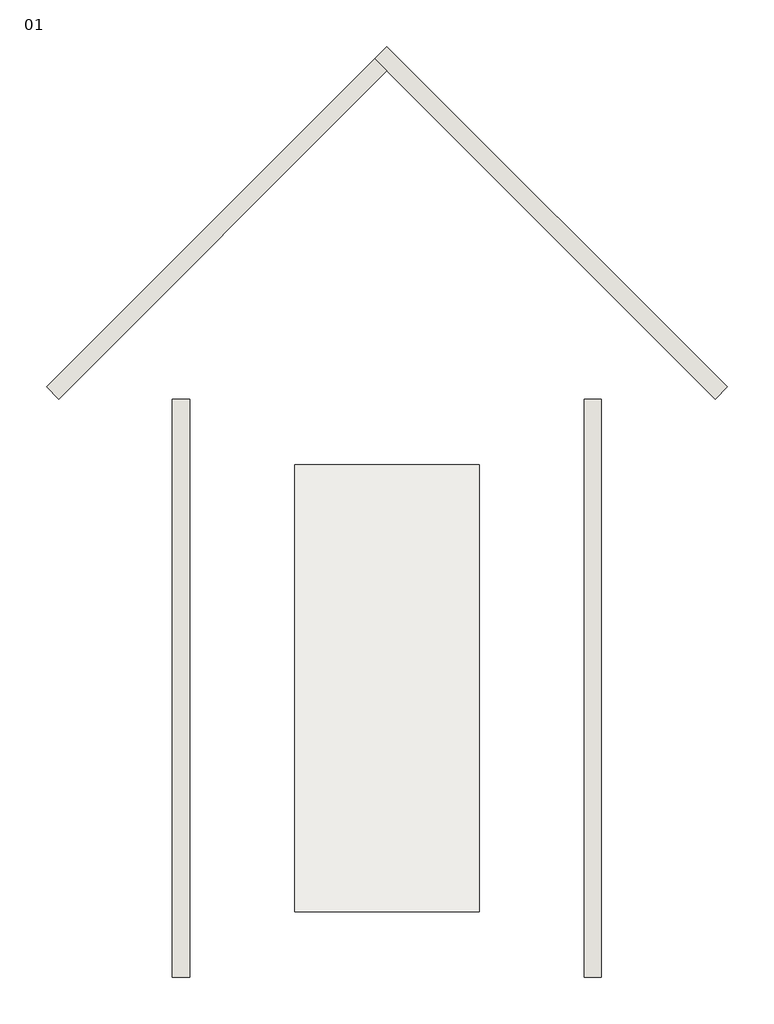
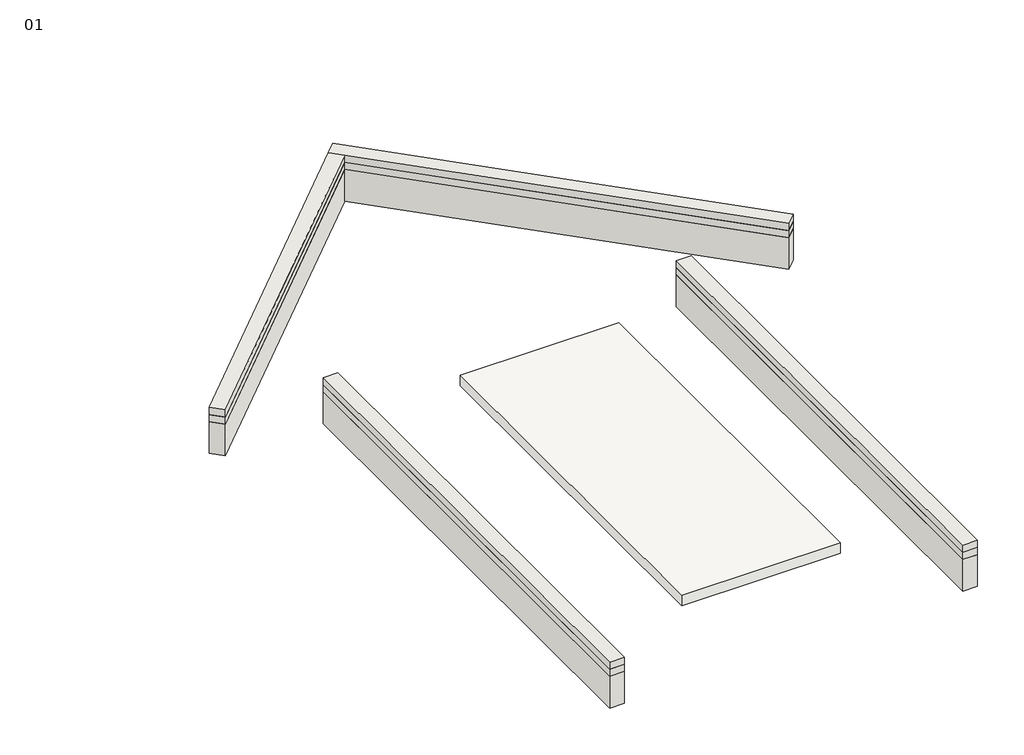
# One storey: 12 walls, 1 slab.
"""IFC4 building model written with IfcOpenShell, lengths in millimetres."""

from ifc_helpers import new_model, si_unit, frame, origin, origin_with_axes, place, context, project, spatial, polyline, outline, extrude, faceted_brep, element, save

model = new_model("IFC4")

# Units and contexts
model_context = context("Model", 3, world=origin())
ifc_project = project(units=[si_unit("LENGTHUNIT", "METRE", prefix="MILLI")], contexts=[model_context])

# Site, building, storey
site = spatial("IfcSite", under=ifc_project)
building = spatial("IfcBuilding", under=site)
storey = spatial("IfcBuildingStorey", under=building, Name="01", Elevation=-900.0)

# Slab
placement = place(None, origin())
element("IfcSlab", 1, ObjectType="Generic - 300mm", at=placement, inside=storey, context=model_context, shape_type="SweptSolid", body=[
    extrude(outline(polyline([(852.5245595, 7789.6860014), (5062.5245595, 7789.6860014), (5062.5245595, -2390.3139986), (852.5245595, -2390.3139986), (852.5245595, 7789.6860014)])), frame((0.0, 0.0, -100.0), z_axis=(0.0, 0.0, 1.0), x_axis=(1.0, 0.0, 0.0)), (0.0, 0.0, 1.0), 300.0),
])

# Walls
element("IfcWall", 2, ObjectType="Foundation - 390mm Concrete", at=placement, inside=storey, context=model_context, shape_type="SweptSolid", body=[
    extrude(outline(polyline([(-1539.4754405, 9289.6860014), (-1539.4754405, -3890.3139986), (-1929.4754405, -3890.3139986), (-1929.4754405, 9289.6860014), (-1539.4754405, 9289.6860014)])), frame((0.0, 0.0, -1092.1076302), z_axis=(0.0, 0.0, 1.0), x_axis=(1.0, 0.0, 0.0)), (0.0, 0.0, 1.0), 892.1076302),
])
element("IfcWall", 3, ObjectType="Foundation - 390mm Concrete", at=placement, inside=storey, context=model_context, shape_type="SweptSolid", body=[
    extrude(outline(polyline([(7844.5245595, 9289.6860014), (7844.5245595, -3890.3139986), (7454.5245595, -3890.3139986), (7454.5245595, 9289.6860014), (7844.5245595, 9289.6860014)])), frame((0.0, 0.0, -1092.1076302), z_axis=(0.0, 0.0, 1.0), x_axis=(1.0, 0.0, 0.0)), (0.0, 0.0, 1.0), 892.1076302),
])
element("IfcWall", 4, ObjectType="Foundation - 390mm Concrete", at=placement, inside=storey, context=model_context, shape_type="Brep", body=[
    faceted_brep([(10714.4859491, 9565.4576461, -1092.1076302), (2957.5245595, 17322.4190357, -1092.1076302), (2957.5245595, 17322.4190357, -200.0), (10714.4859491, 9565.4576461, -200.0), (10438.7143044, 9289.6860014, -1092.1076302), (10438.7143044, 9289.6860014, -200.0), (2957.5245595, 16770.8757463, -200.0), (2681.7529148, 17046.647391, -200.0), (2681.7529148, 17046.647391, -1092.1076302), (2957.5245595, 16770.8757463, -1092.1076302)], [[[0, 1, 2, 3]], [[4, 5, 6, 7, 8, 9]], [[1, 0, 4, 9, 8]], [[3, 2, 7, 6, 5]], [[0, 3, 5, 4]], [[2, 1, 8, 7]]]),
])
element("IfcWall", 5, ObjectType="Foundation - 390mm Concrete", at=placement, inside=storey, context=model_context, shape_type="SweptSolid", body=[
    extrude(outline(polyline([(2957.5245595, 16770.8757463), (-4523.6651855, 9289.6860014), (-4799.4368302, 9565.4576461), (2681.7529148, 17046.647391), (2957.5245595, 16770.8757463)])), frame((0.0, 0.0, -1092.1076302), z_axis=(0.0, 0.0, 1.0), x_axis=(1.0, 0.0, 0.0)), (0.0, 0.0, 1.0), 892.1076302),
])
element("IfcWall", 6, ObjectType="Foundation - 390mm LW Thermo Block", at=placement, inside=storey, context=model_context, shape_type="SweptSolid", body=[
    extrude(outline(polyline([(-1539.4754405, 9289.6860014), (-1539.4754405, -3890.3139986), (-1929.4754405, -3890.3139986), (-1929.4754405, 9289.6860014), (-1539.4754405, 9289.6860014)])), origin_with_axes(), (0.0, 0.0, 1.0), 200.0),
])
element("IfcWall", 7, ObjectType="Foundation - 390mm LW Thermo Block", at=placement, inside=storey, context=model_context, shape_type="SweptSolid", body=[
    extrude(outline(polyline([(-1539.4754405, 9289.6860014), (-1539.4754405, -3890.3139986), (-1929.4754405, -3890.3139986), (-1929.4754405, 9289.6860014), (-1539.4754405, 9289.6860014)])), frame((0.0, 0.0, -200.0), z_axis=(0.0, 0.0, 1.0), x_axis=(1.0, 0.0, 0.0)), (0.0, 0.0, 1.0), 200.0),
])
element("IfcWall", 8, ObjectType="Foundation - 390mm LW Thermo Block", at=placement, inside=storey, context=model_context, shape_type="SweptSolid", body=[
    extrude(outline(polyline([(7844.5245595, 9289.6860014), (7844.5245595, -3890.3139986), (7454.5245595, -3890.3139986), (7454.5245595, 9289.6860014), (7844.5245595, 9289.6860014)])), origin_with_axes(), (0.0, 0.0, 1.0), 200.0),
])
element("IfcWall", 9, ObjectType="Foundation - 390mm LW Thermo Block", at=placement, inside=storey, context=model_context, shape_type="SweptSolid", body=[
    extrude(outline(polyline([(7844.5245595, 9289.6860014), (7844.5245595, -3890.3139986), (7454.5245595, -3890.3139986), (7454.5245595, 9289.6860014), (7844.5245595, 9289.6860014)])), frame((0.0, 0.0, -200.0), z_axis=(0.0, 0.0, 1.0), x_axis=(1.0, 0.0, 0.0)), (0.0, 0.0, 1.0), 200.0),
])
element("IfcWall", 10, ObjectType="Foundation - 390mm LW Thermo Block", at=placement, inside=storey, context=model_context, shape_type="Brep", body=[
    faceted_brep([(10714.4859491, 9565.4576461, 0.0), (2957.5245595, 17322.4190357, 0.0), (2957.5245595, 17322.4190357, 200.0), (10714.4859491, 9565.4576461, 200.0), (10438.7143044, 9289.6860014, 0.0), (10438.7143044, 9289.6860014, 200.0), (2957.5245595, 16770.8757463, 200.0), (2681.7529148, 17046.647391, 200.0), (2681.7529148, 17046.647391, 0.0), (2957.5245595, 16770.8757463, 0.0)], [[[0, 1, 2, 3]], [[4, 5, 6, 7, 8, 9]], [[1, 0, 4, 9, 8]], [[3, 2, 7, 6, 5]], [[0, 3, 5, 4]], [[2, 1, 8, 7]]]),
])
element("IfcWall", 11, ObjectType="Foundation - 390mm LW Thermo Block", at=placement, inside=storey, context=model_context, shape_type="Brep", body=[
    faceted_brep([(10714.4859491, 9565.4576461, -200.0), (2957.5245595, 17322.4190357, -200.0), (2957.5245595, 17322.4190357, 0.0), (10714.4859491, 9565.4576461, 0.0), (10438.7143044, 9289.6860014, -200.0), (10438.7143044, 9289.6860014, 0.0), (2957.5245595, 16770.8757463, 0.0), (2681.7529148, 17046.647391, 0.0), (2681.7529148, 17046.647391, -200.0), (2957.5245595, 16770.8757463, -200.0)], [[[0, 1, 2, 3]], [[4, 5, 6, 7, 8, 9]], [[1, 0, 4, 9, 8]], [[3, 2, 7, 6, 5]], [[0, 3, 5, 4]], [[2, 1, 8, 7]]]),
])
element("IfcWall", 12, ObjectType="Foundation - 390mm LW Thermo Block", at=placement, inside=storey, context=model_context, shape_type="SweptSolid", body=[
    extrude(outline(polyline([(2957.5245595, 16770.8757463), (-4523.6651855, 9289.6860014), (-4799.4368302, 9565.4576461), (2681.7529148, 17046.647391), (2957.5245595, 16770.8757463)])), origin_with_axes(), (0.0, 0.0, 1.0), 200.0),
])
element("IfcWall", 13, ObjectType="Foundation - 390mm LW Thermo Block", at=placement, inside=storey, context=model_context, shape_type="SweptSolid", body=[
    extrude(outline(polyline([(2957.5245595, 16770.8757463), (-4523.6651855, 9289.6860014), (-4799.4368302, 9565.4576461), (2681.7529148, 17046.647391), (2957.5245595, 16770.8757463)])), frame((0.0, 0.0, -200.0), z_axis=(0.0, 0.0, 1.0), x_axis=(1.0, 0.0, 0.0)), (0.0, 0.0, 1.0), 200.0),
])

save(model, "model.ifc")
